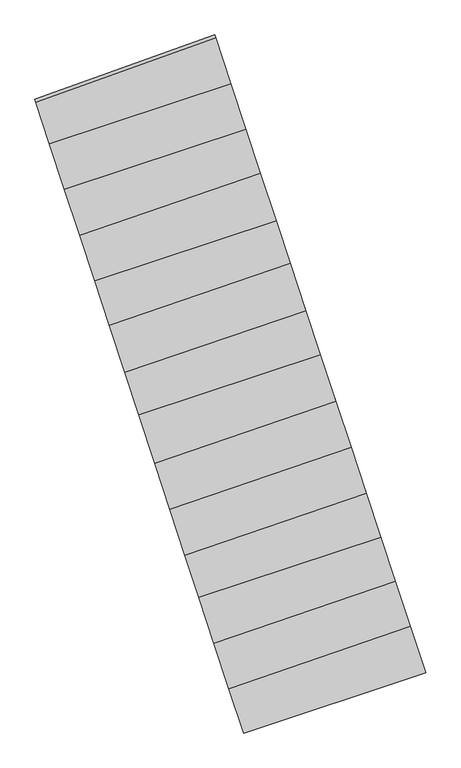
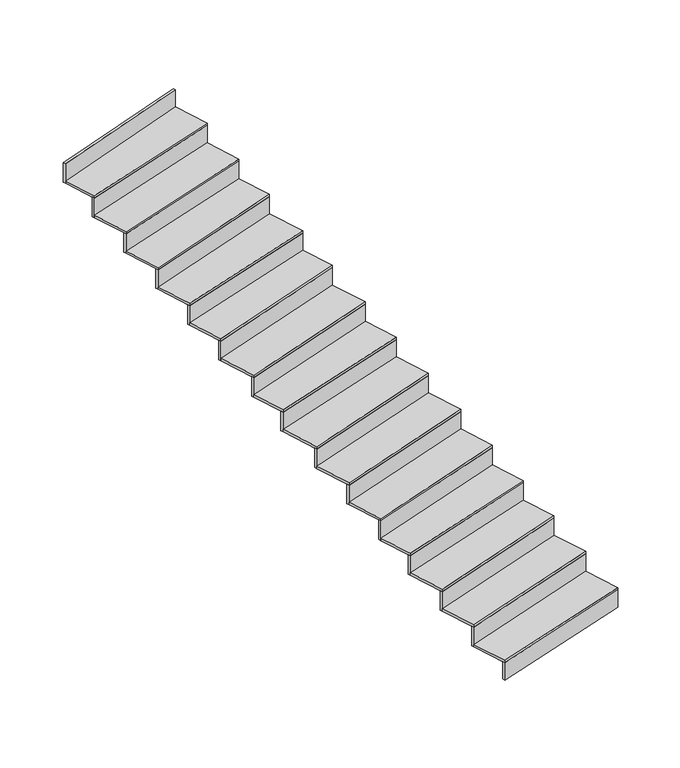
"""IFC4 building model written with IfcOpenShell, lengths in millimetres: stair flight geometry."""

from ifc_helpers import new_model, si_unit, frame, origin, place, context, project, spatial, polyline, outline, extrude, source, transform, mapped, element, save


def stair_flight_6c063496(model_context):
    return source(origin(), model_context, "Body", "SweptSolid", [
        extrude(outline(polyline([(-108003.8053047, 30136.7175628), (-107997.5283221, 30117.7281055), (-109134.3389527, 29741.9543058), (-109140.5935886, 29760.9511498), (-108003.8053047, 30136.7175628)])), frame((0.0, 0.0, -2496.5), z_axis=(0.0, 0.0, 1.0), x_axis=(1.0, 0.0, 0.0)), (0.0, 0.0, 1.0), 148.1864079),
        extrude(outline(polyline([(-109225.9362211, 30020.1573907), (-108093.4544803, 30407.9289561), (-107997.5283221, 30117.7281055), (-109134.3389527, 29741.9543058), (-109225.9362211, 30020.1573907)])), frame((0.0, 0.0, -2348.3135921), z_axis=(0.0, 0.0, 1.0), x_axis=(1.0, 0.0, 0.0)), (0.0, 0.0, 1.0), 20.0),
        extrude(outline(polyline([(-108099.731819, 30426.9194908), (-108093.4544803, 30407.9289561), (-109225.9362211, 30020.1573907), (-109232.1912903, 30039.1555506), (-108099.731819, 30426.9194908)])), frame((0.0, 0.0, -2348.3135921), z_axis=(0.0, 0.0, 1.0), x_axis=(1.0, 0.0, 0.0)), (0.0, 0.0, 1.0), 168.1864079),
        extrude(outline(polyline([(-109318.9330954, 30302.6114173), (-108186.7824447, 30690.2696146), (-108093.4544803, 30407.9289561), (-109225.9362211, 30020.1573907), (-109318.9330954, 30302.6114173)])), frame((0.0, 0.0, -2180.1271841), z_axis=(0.0, 0.0, 1.0), x_axis=(1.0, 0.0, 0.0)), (0.0, 0.0, 1.0), 20.0),
        extrude(outline(polyline([(-108193.0597834, 30709.2601492), (-108186.7824447, 30690.2696146), (-109318.9330954, 30302.6114173), (-109325.1881646, 30321.6095772), (-108193.0597834, 30709.2601492)])), frame((0.0, 0.0, -2180.1271841), z_axis=(0.0, 0.0, 1.0), x_axis=(1.0, 0.0, 0.0)), (0.0, 0.0, 1.0), 168.1864079),
        extrude(outline(polyline([(-109413.4209581, 30589.5939371), (-108277.6074343, 30965.0381423), (-108186.7824447, 30690.2696146), (-109318.9330954, 30302.6114173), (-109413.4209581, 30589.5939371)])), frame((0.0, 0.0, -2011.9407762), z_axis=(0.0, 0.0, 1.0), x_axis=(1.0, 0.0, 0.0)), (0.0, 0.0, 1.0), 20.0),
        extrude(outline(polyline([(-108283.8844168, 30984.0275996), (-108277.6074343, 30965.0381423), (-109413.4209581, 30589.5939371), (-109419.6755941, 30608.5907812), (-108283.8844168, 30984.0275996)])), frame((0.0, 0.0, -2011.9407762), z_axis=(0.0, 0.0, 1.0), x_axis=(1.0, 0.0, 0.0)), (0.0, 0.0, 1.0), 168.1864079),
        extrude(outline(polyline([(-109500.32478, 30853.5418883), (-108368.8199252, 31240.9789595), (-108277.6074343, 30965.0381423), (-109413.4209581, 30589.5939371), (-109500.32478, 30853.5418883)])), frame((0.0, 0.0, -1843.7543683), z_axis=(0.0, 0.0, 1.0), x_axis=(1.0, 0.0, 0.0)), (0.0, 0.0, 1.0), 20.0),
        extrude(outline(polyline([(-108375.0972639, 31259.9694941), (-108368.8199252, 31240.9789595), (-109500.32478, 30853.5418883), (-109506.5798492, 30872.5400482), (-108375.0972639, 31259.9694941)])), frame((0.0, 0.0, -1843.7543683), z_axis=(0.0, 0.0, 1.0), x_axis=(1.0, 0.0, 0.0)), (0.0, 0.0, 1.0), 168.1864079),
        extrude(outline(polyline([(-109594.1508183, 31138.5142868), (-108462.9800056, 31525.836979), (-108368.8199252, 31240.9789595), (-109500.32478, 30853.5418883), (-109594.1508183, 31138.5142868)])), frame((0.0, 0.0, -1675.5679604), z_axis=(0.0, 0.0, 1.0), x_axis=(1.0, 0.0, 0.0)), (0.0, 0.0, 1.0), 20.0),
        extrude(outline(polyline([(-108469.2573443, 31544.8275137), (-108462.9800056, 31525.836979), (-109594.1508183, 31138.5142868), (-109600.4058875, 31157.5124467), (-108469.2573443, 31544.8275137)])), frame((0.0, 0.0, -1675.5679604), z_axis=(0.0, 0.0, 1.0), x_axis=(1.0, 0.0, 0.0)), (0.0, 0.0, 1.0), 168.1864079),
        extrude(outline(polyline([(-109689.4496267, 31427.959845), (-108558.6180996, 31815.1663629), (-108462.9800056, 31525.836979), (-109594.1508183, 31138.5142868), (-109689.4496267, 31427.959845)])), frame((0.0, 0.0, -1507.3815524), z_axis=(0.0, 0.0, 1.0), x_axis=(1.0, 0.0, 0.0)), (0.0, 0.0, 1.0), 20.0),
        extrude(outline(polyline([(-108564.8954383, 31834.1568975), (-108558.6180996, 31815.1663629), (-109689.4496267, 31427.959845), (-109695.7046959, 31446.9580049), (-108564.8954383, 31834.1568975)])), frame((0.0, 0.0, -1507.3815524), z_axis=(0.0, 0.0, 1.0), x_axis=(1.0, 0.0, 0.0)), (0.0, 0.0, 1.0), 168.1864079),
        extrude(outline(polyline([(-109788.7598696, 31729.5891009), (-108653.8460622, 32103.2549958), (-108558.6180996, 31815.1663629), (-109689.4496267, 31427.959845), (-109788.7598696, 31729.5891009)])), frame((0.0, 0.0, -1339.1951445), z_axis=(0.0, 0.0, 1.0), x_axis=(1.0, 0.0, 0.0)), (0.0, 0.0, 1.0), 20.0),
        extrude(outline(polyline([(-108660.1230492, 32122.2444663), (-108653.8460622, 32103.2549958), (-109788.7598696, 31729.5891009), (-109795.0145012, 31748.5859318), (-108660.1230492, 32122.2444663)])), frame((0.0, 0.0, -1339.1951445), z_axis=(0.0, 0.0, 1.0), x_axis=(1.0, 0.0, 0.0)), (0.0, 0.0, 1.0), 168.1864079),
        extrude(outline(polyline([(-109875.6153681, 31993.3902823), (-108745.4466336, 32380.3698543), (-108653.8460622, 32103.2549958), (-109788.7598696, 31729.5891009), (-109875.6153681, 31993.3902823)])), frame((0.0, 0.0, -1171.0087366), z_axis=(0.0, 0.0, 1.0), x_axis=(1.0, 0.0, 0.0)), (0.0, 0.0, 1.0), 20.0),
        extrude(outline(polyline([(-108751.7239723, 32399.360389), (-108745.4466336, 32380.3698543), (-109875.6153681, 31993.3902823), (-109881.8704373, 32012.3884422), (-108751.7239723, 32399.360389)])), frame((0.0, 0.0, -1171.0087366), z_axis=(0.0, 0.0, 1.0), x_axis=(1.0, 0.0, 0.0)), (0.0, 0.0, 1.0), 168.1864079),
        extrude(outline(polyline([(-109972.6340252, 32288.0594375), (-108842.8106994, 32674.9207385), (-108745.4466336, 32380.3698543), (-109875.6153681, 31993.3902823), (-109972.6340252, 32288.0594375)])), frame((0.0, 0.0, -1002.8223286), z_axis=(0.0, 0.0, 1.0), x_axis=(1.0, 0.0, 0.0)), (0.0, 0.0, 1.0), 20.0),
        extrude(outline(polyline([(-108849.0880381, 32693.9112732), (-108842.8106994, 32674.9207385), (-109972.6340252, 32288.0594375), (-109978.8890945, 32307.0575974), (-108849.0880381, 32693.9112732)])), frame((0.0, 0.0, -1002.8223286), z_axis=(0.0, 0.0, 1.0), x_axis=(1.0, 0.0, 0.0)), (0.0, 0.0, 1.0), 168.1864079),
        extrude(outline(polyline([(-110064.6621365, 32567.5710962), (-108930.7344586, 32940.9123118), (-108842.8106994, 32674.9207385), (-109972.6340252, 32288.0594375), (-110064.6621365, 32567.5710962)])), frame((0.0, 0.0, -834.6359207), z_axis=(0.0, 0.0, 1.0), x_axis=(1.0, 0.0, 0.0)), (0.0, 0.0, 1.0), 20.0),
        extrude(outline(polyline([(-108937.0114455, 32959.9017823), (-108930.7344586, 32940.9123118), (-110064.6621365, 32567.5710962), (-110070.9167681, 32586.567927), (-108937.0114455, 32959.9017823)])), frame((0.0, 0.0, -834.6359207), z_axis=(0.0, 0.0, 1.0), x_axis=(1.0, 0.0, 0.0)), (0.0, 0.0, 1.0), 168.1864079),
        extrude(outline(polyline([(-110157.9452957, 32850.8946396), (-109028.7817203, 33237.5300365), (-108930.7344586, 32940.9123118), (-110064.6621365, 32567.5710962), (-110157.9452957, 32850.8946396)])), frame((0.0, 0.0, -666.4495128), z_axis=(0.0, 0.0, 1.0), x_axis=(1.0, 0.0, 0.0)), (0.0, 0.0, 1.0), 20.0),
        extrude(outline(polyline([(-109035.059059, 33256.5205711), (-109028.7817203, 33237.5300365), (-110157.9452957, 32850.8946396), (-110164.2003649, 32869.8927995), (-109035.059059, 33256.5205711)])), frame((0.0, 0.0, -666.4495128), z_axis=(0.0, 0.0, 1.0), x_axis=(1.0, 0.0, 0.0)), (0.0, 0.0, 1.0), 168.1864079),
        extrude(outline(polyline([(-110252.3935254, 33137.7567841), (-109119.1368368, 33510.8770792), (-109028.7817203, 33237.5300365), (-110157.9452957, 32850.8946396), (-110252.3935254, 33137.7567841)])), frame((0.0, 0.0, -498.2631049), z_axis=(0.0, 0.0, 1.0), x_axis=(1.0, 0.0, 0.0)), (0.0, 0.0, 1.0), 20.0),
        extrude(outline(polyline([(-109125.4138237, 33529.8665497), (-109119.1368368, 33510.8770792), (-110252.3935254, 33137.7567841), (-110258.648157, 33156.753615), (-109125.4138237, 33529.8665497)])), frame((0.0, 0.0, -498.2631049), z_axis=(0.0, 0.0, 1.0), x_axis=(1.0, 0.0, 0.0)), (0.0, 0.0, 1.0), 168.1864079),
        extrude(outline(polyline([(-110346.174839, 33422.5933431), (-109213.6938664, 33796.9359704), (-109119.1368368, 33510.8770792), (-110252.3935254, 33137.7567841), (-110346.174839, 33422.5933431)])), frame((0.0, 0.0, -330.0766969), z_axis=(0.0, 0.0, 1.0), x_axis=(1.0, 0.0, 0.0)), (0.0, 0.0, 1.0), 20.0),
        extrude(outline(polyline([(-109219.970849, 33815.9254277), (-109213.6938664, 33796.9359704), (-110346.174839, 33422.5933431), (-110352.429475, 33441.5901872), (-109219.970849, 33815.9254277)])), frame((0.0, 0.0, -330.0766969), z_axis=(0.0, 0.0, 1.0), x_axis=(1.0, 0.0, 0.0)), (0.0, 0.0, 1.0), 168.1864079),
        extrude(outline(polyline([(-109314.2569926, 34101.1648203), (-109307.9780694, 34082.1694921), (-110430.8497591, 33679.7715799), (-110437.1065119, 33698.7748532), (-109314.2569926, 34101.1648203)])), frame((0.0, 0.0, -161.890289), z_axis=(0.0, 0.0, 1.0), x_axis=(1.0, 0.0, 0.0)), (0.0, 0.0, 1.0), 168.1864079),
        extrude(outline(polyline([(-110430.8497591, 33679.7715799), (-109307.9780694, 34082.1694921), (-109213.6938664, 33796.9359704), (-110346.174839, 33422.5933431), (-110430.8497591, 33679.7715799)])), frame((0.0, 0.0, -161.890289), z_axis=(0.0, 0.0, 1.0), x_axis=(1.0, 0.0, 0.0)), (0.0, 0.0, 1.0), 20.0),
    ])


if __name__ == "__main__":
    model = new_model("IFC4")
    model_context = context("Model", 3, world=origin())
    ifc_project = project(units=[si_unit("LENGTHUNIT", "METRE", prefix="MILLI")], contexts=[model_context])
    site = spatial("IfcSite", under=ifc_project)
    building = spatial("IfcBuilding", under=site)
    placement = place(None, origin())
    stair_flight_shape = stair_flight_6c063496(model_context)
    element("IfcStairFlight", 1, at=placement, inside=building, context=model_context, shape_type="MappedRepresentation", body=[
        mapped(stair_flight_shape, transform((0.0, 0.0, 0.0), x_axis=(1.0, 0.0, 0.0), y_axis=(0.0, 1.0, 0.0), z_axis=(0.0, 0.0, 1.0))),
    ])
    save(model, "model.ifc")
